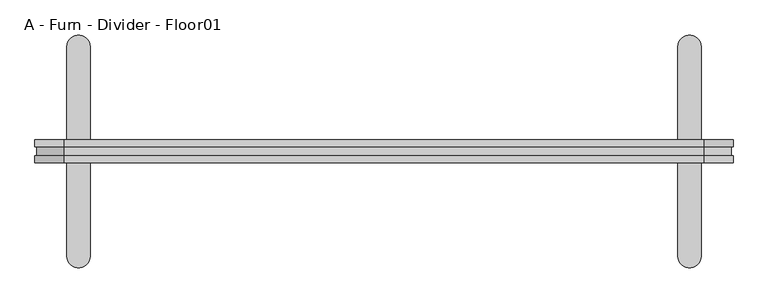
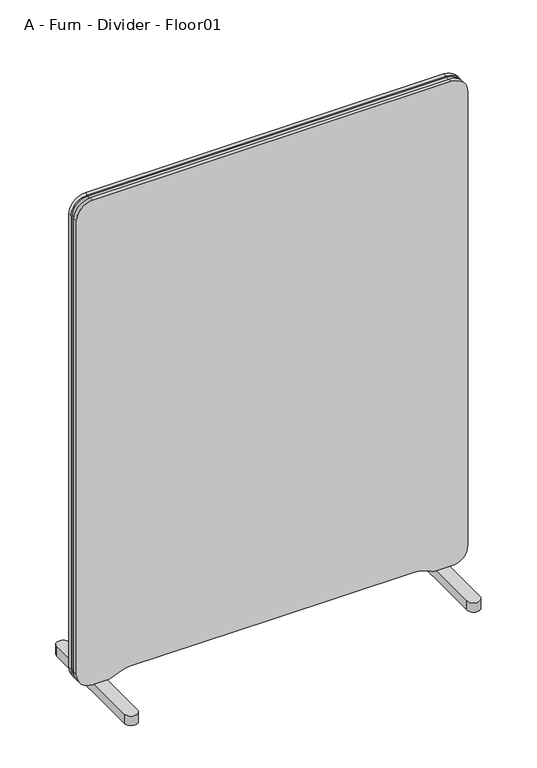
"""IFC4 building model written with IfcOpenShell, lengths in millimetres: furniture geometry, A - Furn - Divider - Floor01."""

from ifc_helpers import new_model, si_unit, point, frame, frame_2d, origin, place, context, project, spatial, polyline, circle_curve, ellipse_curve, trimmed, segment, composite_curve, outline, extrude, source, transform, mapped, element, save
from ifc_brep_helpers import plane_surface, extruded_surface, advanced_brep


def a_furn_divider_floor01_830f5b30(model_context):
    return source(origin(), model_context, "Body", "SolidModel", [
        extrude(outline(composite_curve([segment(polyline([(1599.9951408, 550.00122), (1599.9951408, -549.9902764)]), True, "CONTINUOUS"), segment(trimmed(circle_curve(frame_2d((1550.0048627, -549.9902764)), 49.9902781), [point((1599.9951408, -549.9902764))], [point((1550.0048627, -599.9805544))], False, "CARTESIAN"), True, "CONTINUOUS"), segment(polyline([(1550.0048627, -599.9805544), (80.0386252, -599.9805544)]), True, "CONTINUOUS"), segment(trimmed(circle_curve(frame_2d((80.0386252, -550.0194464)), 49.961108), [point((80.0386252, -599.9805544))], [point((30.0775172, -550.0194464))], False, "CARTESIAN"), True, "CONTINUOUS"), segment(polyline([(30.0775172, -550.0194464), (30.0775172, -507.0185354)]), True, "CONTINUOUS"), segment(trimmed(circle_curve(frame_2d((83.5056165, -509.0794023)), 53.4678312), [point((30.0775172, -507.0185354))], [point((34.0044839, -488.8693347))], False, "CARTESIAN"), True, "CONTINUOUS"), segment(polyline([(34.0044839, -488.8693347), (45.5484225, -460.594415)]), True, "CONTINUOUS"), segment(trimmed(circle_curve(frame_2d((-10.0002672, -437.915282)), 60.0), [point((45.5484225, -460.594415))], [point((49.9997328, -437.915282))], True, "CARTESIAN"), True, "CONTINUOUS"), segment(polyline([(49.9997328, -437.915282), (49.9997328, 0.0), (49.9997328, 436.5844931)]), True, "CONTINUOUS"), segment(trimmed(circle_curve(frame_2d((-10.0002672, 436.5844931)), 60.0), [point((49.9997328, 436.5844931))], [point((45.5486032, 459.2631835))], True, "CARTESIAN"), True, "CONTINUOUS"), segment(polyline([(45.5486032, 459.2631835), (33.9267961, 487.7294768)]), True, "CONTINUOUS"), segment(trimmed(circle_curve(frame_2d((83.427967, 507.9390998)), 53.4676984), [point((33.9267961, 487.7294768))], [point((30.0, 505.8782449))], False, "CARTESIAN"), True, "CONTINUOUS"), segment(polyline([(30.0, 505.8782449), (30.0, 549.9993831)]), True, "CONTINUOUS"), segment(trimmed(circle_curve(frame_2d((79.9994106, 549.9993831)), 49.9994106), [point((30.0, 549.9993831))], [point((79.9994106, 599.9987938))], False, "CARTESIAN"), True, "CONTINUOUS"), segment(polyline([(79.9994106, 599.9987938), (1549.9975669, 599.9987938)]), True, "CONTINUOUS"), segment(trimmed(circle_curve(frame_2d((1549.9975669, 550.00122)), 49.9975738), [point((1549.9975669, 599.9987938))], [point((1599.9951408, 550.00122))], False, "CARTESIAN"), True, "CONTINUOUS")], self_intersect=False)), frame((0.0, 7.5, 0.0), z_axis=(0.0, 1.0, 0.0), x_axis=(0.0, 0.0, 1.0)), (0.0, 0.0, 1.0), 12.5),
        advanced_brep(
        [(545.0, 180.0, 30.0), (505.0, 180.0, 30.0), (505.0, -180.0, 30.0), (545.0, -180.0, 30.0), (545.0, 180.0, 0.0), (545.0, -180.0, 0.0), (505.0, -180.0, 0.0), (505.0, 180.0, 0.0)],
        [
            (0, 1, circle_curve(frame((525.0, 180.0, 30.0), z_axis=(0.0, 0.0, 1.0), x_axis=(1.0, 0.0, 0.0)), 20.0)),
            (1, 2),
            (2, 3, circle_curve(frame((525.0, -180.0, 30.0), z_axis=(0.0, 0.0, 1.0), x_axis=(1.0, 0.0, 0.0)), 20.0)),
            (3, 0),
            (4, 5),
            (5, 6, ellipse_curve(frame((525.0, -180.0, 0.0), z_axis=(0.0, 0.0, -1.0), x_axis=(1.0, 0.0, 0.0)), 20.0, 20.0)),
            (6, 7),
            (7, 4, ellipse_curve(frame((525.0, 180.0, 0.0), z_axis=(0.0, 0.0, -1.0), x_axis=(1.0, 0.0, 0.0)), 20.0, 20.0)),
            (3, 5),
            (4, 0),
            (2, 6),
            (1, 7),
        ],
        [
            plane_surface(frame((545.0, 180.0, 30.0), z_axis=(0.0, 0.0, 1.0), x_axis=(0.0, 1.0, 0.0))),
            plane_surface(frame((545.0, 180.0, 0.0), z_axis=(0.0, 0.0, -1.0), x_axis=(0.0, -1.0, 0.0))),
            plane_surface(frame((545.0, -180.0, 30.0), z_axis=(1.0, 0.0, 0.0), x_axis=(0.0, 0.0, -1.0))),
            extruded_surface(trimmed(ellipse_curve(frame((525.0, -180.0, -30.0), z_axis=(0.0, 0.0, 1.0), x_axis=(1.0, 0.0, 0.0)), 20.0, 20.0), [point((505.0, -180.0, -30.0))], [point((545.0, -180.0, -30.0))], True, "CARTESIAN"), (0.0, 0.0, 30.0), 30.0),
            plane_surface(frame((505.0, 180.0, 30.0), z_axis=(-1.0, 0.0, 0.0), x_axis=(0.0, 0.0, -1.0))),
            extruded_surface(trimmed(ellipse_curve(frame((525.0, 180.0, -30.0), z_axis=(0.0, 0.0, 1.0), x_axis=(1.0, 0.0, 0.0)), 20.0, 20.0), [point((545.0, 180.0, -30.0))], [point((505.0, 180.0, -30.0))], True, "CARTESIAN"), (0.0, 0.0, 30.0), 30.0),
        ],
        [
            (0, [[1, 2, 3, 4]]),
            (1, [[5, 6, 7, 8]]),
            (2, [[-4, 9, -5, 10]]),
            (3, [[-3, 11, -6, -9]]),
            (4, [[-2, 12, -7, -11]]),
            (5, [[-1, -10, -8, -12]]),
        ],
    ),
        advanced_brep(
        [(-545.0, 180.0, 30.0), (-545.0, -180.0, 30.0), (-505.0, -180.0, 30.0), (-505.0, 180.0, 30.0), (-545.0, 180.0, 0.0), (-505.0, 180.0, 0.0), (-505.0, -180.0, 0.0), (-545.0, -180.0, 0.0)],
        [
            (0, 1),
            (1, 2, circle_curve(frame((-525.0, -180.0, 30.0), z_axis=(0.0, 0.0, 1.0), x_axis=(-1.0, 0.0, 0.0)), 20.0)),
            (2, 3),
            (3, 0, circle_curve(frame((-525.0, 180.0, 30.0), z_axis=(0.0, 0.0, 1.0), x_axis=(-1.0, 0.0, 0.0)), 20.0)),
            (4, 5, ellipse_curve(frame((-525.0, 180.0, 0.0), z_axis=(0.0, 0.0, -1.0), x_axis=(-1.0, 0.0, 0.0)), 20.0, 20.0)),
            (5, 6),
            (6, 7, ellipse_curve(frame((-525.0, -180.0, 0.0), z_axis=(0.0, 0.0, -1.0), x_axis=(-1.0, 0.0, 0.0)), 20.0, 20.0)),
            (7, 4),
            (0, 4),
            (7, 1),
            (6, 2),
            (5, 3),
        ],
        [
            plane_surface(frame((-545.0, -180.0, 30.0), z_axis=(0.0, 0.0, 1.0), x_axis=(0.0, -1.0, 0.0))),
            plane_surface(frame((-545.0, -180.0, 0.0), z_axis=(0.0, 0.0, -1.0), x_axis=(0.0, 1.0, 0.0))),
            plane_surface(frame((-545.0, 180.0, 30.0), z_axis=(-1.0, 0.0, 0.0), x_axis=(0.0, 0.0, -1.0))),
            extruded_surface(trimmed(ellipse_curve(frame((-525.0, -180.0, -30.0), z_axis=(0.0, 0.0, 1.0), x_axis=(-1.0, 0.0, 0.0)), 20.0, 20.0), [point((-545.0, -180.0, -30.0))], [point((-505.0, -180.0, -30.0))], True, "CARTESIAN"), (0.0, 0.0, 30.0), 30.0),
            plane_surface(frame((-505.0, -180.0, 30.0), z_axis=(1.0, 0.0, 0.0), x_axis=(0.0, 0.0, -1.0))),
            extruded_surface(trimmed(ellipse_curve(frame((-525.0, 180.0, -30.0), z_axis=(0.0, 0.0, 1.0), x_axis=(-1.0, 0.0, 0.0)), 20.0, 20.0), [point((-505.0, 180.0, -30.0))], [point((-545.0, 180.0, -30.0))], True, "CARTESIAN"), (0.0, 0.0, 30.0), 30.0),
        ],
        [
            (0, [[1, 2, 3, 4]]),
            (1, [[5, 6, 7, 8]]),
            (2, [[-1, 9, -8, 10]]),
            (3, [[-2, -10, -7, 11]]),
            (4, [[-3, -11, -6, 12]]),
            (5, [[-4, -12, -5, -9]]),
        ],
    ),
        extrude(outline(composite_curve([segment(polyline([(1599.9951408, 550.00122), (1599.9951408, -549.9902764)]), True, "CONTINUOUS"), segment(trimmed(circle_curve(frame_2d((1550.0048627, -549.9902764)), 49.9902781), [point((1599.9951408, -549.9902764))], [point((1550.0048627, -599.9805544))], False, "CARTESIAN"), True, "CONTINUOUS"), segment(polyline([(1550.0048627, -599.9805544), (80.0386252, -599.9805544)]), True, "CONTINUOUS"), segment(trimmed(circle_curve(frame_2d((80.0386252, -550.0194464)), 49.961108), [point((80.0386252, -599.9805544))], [point((30.0775172, -550.0194464))], False, "CARTESIAN"), True, "CONTINUOUS"), segment(polyline([(30.0775172, -550.0194464), (30.0775172, -507.0185354)]), True, "CONTINUOUS"), segment(trimmed(circle_curve(frame_2d((83.5056165, -509.0794023)), 53.4678312), [point((30.0775172, -507.0185354))], [point((34.0044839, -488.8693347))], False, "CARTESIAN"), True, "CONTINUOUS"), segment(polyline([(34.0044839, -488.8693347), (45.5484225, -460.594415)]), True, "CONTINUOUS"), segment(trimmed(circle_curve(frame_2d((-10.0002672, -437.915282)), 60.0), [point((45.5484225, -460.594415))], [point((49.9997328, -437.915282))], True, "CARTESIAN"), True, "CONTINUOUS"), segment(polyline([(49.9997328, -437.915282), (49.9997328, 0.0), (49.9997328, 436.5844931)]), True, "CONTINUOUS"), segment(trimmed(circle_curve(frame_2d((-10.0002672, 436.5844931)), 60.0), [point((49.9997328, 436.5844931))], [point((45.5486032, 459.2631835))], True, "CARTESIAN"), True, "CONTINUOUS"), segment(polyline([(45.5486032, 459.2631835), (33.9267961, 487.7294768)]), True, "CONTINUOUS"), segment(trimmed(circle_curve(frame_2d((83.427967, 507.9390998)), 53.4676984), [point((33.9267961, 487.7294768))], [point((30.0, 505.8782449))], False, "CARTESIAN"), True, "CONTINUOUS"), segment(polyline([(30.0, 505.8782449), (30.0, 549.9993831)]), True, "CONTINUOUS"), segment(trimmed(circle_curve(frame_2d((79.9994106, 549.9993831)), 49.9994106), [point((30.0, 549.9993831))], [point((79.9994106, 599.9987938))], False, "CARTESIAN"), True, "CONTINUOUS"), segment(polyline([(79.9994106, 599.9987938), (1549.9975669, 599.9987938)]), True, "CONTINUOUS"), segment(trimmed(circle_curve(frame_2d((1549.9975669, 550.00122)), 49.9975738), [point((1549.9975669, 599.9987938))], [point((1599.9951408, 550.00122))], False, "CARTESIAN"), True, "CONTINUOUS")], self_intersect=False)), frame((0.0, -20.0, 0.0), z_axis=(0.0, 1.0, 0.0), x_axis=(0.0, 0.0, 1.0)), (0.0, 0.0, 1.0), 12.5),
        extrude(outline(composite_curve([segment(trimmed(circle_curve(frame_2d((16.914284, 436.5844931)), 39.5276917), [point((56.4419757, 436.5844931))], [point((48.16827, 460.7842198))], True, "CARTESIAN"), True, "CONTINUOUS"), segment(polyline([(48.16827, 460.7842198), (36.7044011, 488.8630222)]), True, "CONTINUOUS"), segment(trimmed(circle_curve(frame_2d((83.4280993, 507.9391331)), 50.4678312), [point((36.7044011, 488.8630222))], [point((33.0, 505.936939))], False, "CARTESIAN"), True, "CONTINUOUS"), segment(polyline([(33.0, 505.936939), (33.0, 550.0)]), True, "CONTINUOUS"), segment(trimmed(circle_curve(frame_2d((80.0, 550.0)), 47.0), [point((33.0, 550.0))], [point((80.0, 597.0))], False, "CARTESIAN"), True, "CONTINUOUS"), segment(polyline([(80.0, 597.0), (1550.0, 597.0)]), True, "CONTINUOUS"), segment(trimmed(circle_curve(frame_2d((1550.0, 550.0)), 47.0), [point((1550.0, 597.0))], [point((1597.0, 550.0))], False, "CARTESIAN"), True, "CONTINUOUS"), segment(polyline([(1597.0, 550.0), (1597.0, -550.0)]), True, "CONTINUOUS"), segment(trimmed(circle_curve(frame_2d((1550.0, -550.0)), 47.0), [point((1597.0, -550.0))], [point((1550.0, -597.0))], False, "CARTESIAN"), True, "CONTINUOUS"), segment(polyline([(1550.0, -597.0), (80.0, -597.0)]), True, "CONTINUOUS"), segment(trimmed(circle_curve(frame_2d((80.0, -550.0)), 47.0), [point((80.0, -597.0))], [point((33.0, -550.0))], False, "CARTESIAN"), True, "CONTINUOUS"), segment(polyline([(33.0, -550.0), (33.0, -505.936939)]), True, "CONTINUOUS"), segment(trimmed(circle_curve(frame_2d((83.4280993, -507.9391331)), 50.4678312), [point((33.0, -505.936939))], [point((36.7044011, -488.8630222))], False, "CARTESIAN"), True, "CONTINUOUS"), segment(polyline([(36.7044011, -488.8630222), (48.16827, -460.7842198)]), True, "CONTINUOUS"), segment(trimmed(circle_curve(frame_2d((16.914284, -436.5844931)), 39.5276917), [point((48.16827, -460.7842198))], [point((56.4419757, -436.5844931))], True, "CARTESIAN"), True, "CONTINUOUS"), segment(polyline([(56.4419757, -436.5844931), (56.4419757, 436.5844931)]), True, "CONTINUOUS")], self_intersect=False), holes=[composite_curve([segment(trimmed(circle_curve(frame_2d((1550.0, -550.0)), 27.0), [point((1550.0, -577.0))], [point((1577.0, -550.0))], True, "CARTESIAN"), True, "CONTINUOUS"), segment(polyline([(1577.0, -550.0), (1577.0, 550.0)]), True, "CONTINUOUS"), segment(trimmed(circle_curve(frame_2d((1550.0, 550.0)), 27.0), [point((1577.0, 550.0))], [point((1550.0, 577.0))], True, "CARTESIAN"), True, "CONTINUOUS"), segment(polyline([(1550.0, 577.0), (80.0, 577.0)]), True, "CONTINUOUS"), segment(trimmed(circle_curve(frame_2d((80.0, 550.0)), 27.0), [point((80.0, 577.0))], [point((53.0, 550.0))], True, "CARTESIAN"), True, "CONTINUOUS"), segment(polyline([(53.0, 550.0), (53.0, 506.3836565)]), True, "CONTINUOUS"), segment(trimmed(circle_curve(frame_2d((83.4280993, 507.9391331)), 30.4678312), [point((53.0, 506.3836565))], [point((55.220631, 496.4227332))], True, "CARTESIAN"), True, "CONTINUOUS"), segment(polyline([(55.220631, 496.4227332), (65.7597073, 470.6090535)]), True, "CONTINUOUS"), segment(trimmed(circle_curve(frame_2d((16.914284, 436.5844931)), 59.5276917), [point((65.7597073, 470.6090535))], [point((76.4419757, 436.5844931))], False, "CARTESIAN"), True, "CONTINUOUS"), segment(polyline([(76.4419757, 436.5844931), (76.4419757, -436.5844931)]), True, "CONTINUOUS"), segment(trimmed(circle_curve(frame_2d((16.914284, -436.5844931)), 59.5276917), [point((76.4419757, -436.5844931))], [point((65.7597073, -470.6090535))], False, "CARTESIAN"), True, "CONTINUOUS"), segment(polyline([(65.7597073, -470.6090535), (55.220631, -496.4227332)]), True, "CONTINUOUS"), segment(trimmed(circle_curve(frame_2d((83.4280993, -507.9391331)), 30.4678312), [point((55.220631, -496.4227332))], [point((53.0, -506.3836565))], True, "CARTESIAN"), True, "CONTINUOUS"), segment(polyline([(53.0, -506.3836565), (53.0, -550.0)]), True, "CONTINUOUS"), segment(trimmed(circle_curve(frame_2d((80.0, -550.0)), 27.0), [point((53.0, -550.0))], [point((80.0, -577.0))], True, "CARTESIAN"), True, "CONTINUOUS"), segment(polyline([(80.0, -577.0), (1550.0, -577.0)]), True, "CONTINUOUS")], self_intersect=False)]), frame((0.0, -7.5, 0.0), z_axis=(0.0, 1.0, 0.0), x_axis=(0.0, 0.0, 1.0)), (0.0, 0.0, 1.0), 15.0),
    ])


if __name__ == "__main__":
    model = new_model("IFC4")
    model_context = context("Model", 3, world=origin())
    ifc_project = project(units=[si_unit("LENGTHUNIT", "METRE", prefix="MILLI")], contexts=[model_context])
    site = spatial("IfcSite", under=ifc_project)
    building = spatial("IfcBuilding", under=site)
    placement = place(None, origin())
    a_furn_divider_floor01_shape = a_furn_divider_floor01_830f5b30(model_context)
    element("IfcFurniture", 1, ObjectType="A - Furn - Divider - Floor01", at=placement, inside=building, context=model_context, shape_type="MappedRepresentation", body=[
        mapped(a_furn_divider_floor01_shape, transform((0.0, 0.0, 0.0), x_axis=(1.0, 0.0, 0.0), y_axis=(0.0, 1.0, 0.0), z_axis=(0.0, 0.0, 1.0))),
    ])
    save(model, "model.ifc")
